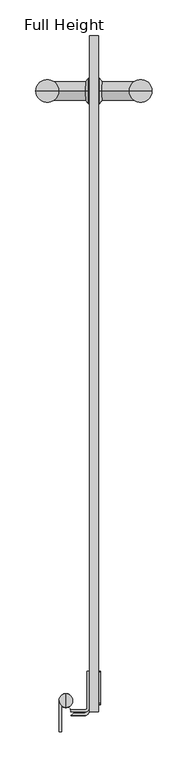
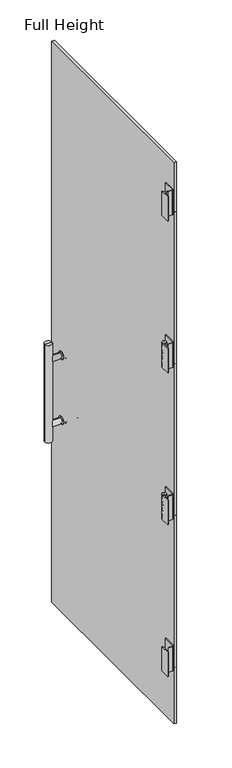
"""IFC4 building model written with IfcOpenShell, lengths in millimetres: plate geometry, Full Height."""

from ifc_helpers import new_model, si_unit, point, frame, frame_2d, origin, place, context, project, spatial, polyline, circle_curve, ellipse_curve, trimmed, segment, composite_curve, outline, extrude, source, transform, mapped, element, save
from ifc_brep_helpers import plane_surface, cylinder_surface, revolved_surface, advanced_brep


def full_height_a34dd733(model_context):
    return source(origin(), model_context, "Body", "SolidModel", [
        advanced_brep(
        [(-420.2684, 888.2634, 901.7), (-432.9684, 888.2634, 901.7), (-432.9684, 888.2634, 927.1), (-420.2684, 888.2634, 927.1), (-420.2684, 888.2634, 896.9), (-420.2684, 888.2634, 931.9), (-418.9984, 888.2634, 896.9), (-418.9984, 888.2634, 931.9), (-415.1884, 888.2634, 901.7), (-415.1884, 888.2634, 927.1), (-361.5309, 888.2634, 901.7), (-361.5309, 888.2634, 927.1), (-361.5309, 888.2634, 914.4), (-491.7059, 888.2634, 901.7), (-491.7059, 888.2634, 914.4), (-491.7059, 888.2634, 927.1), (-438.0484, 888.2634, 901.7), (-438.0484, 888.2634, 927.1), (-434.2384, 888.2634, 896.9), (-434.2384, 888.2634, 931.9), (-432.9684, 888.2634, 896.9), (-432.9684, 888.2634, 931.9)],
        [
            (0, 1),
            (1, 2, circle_curve(frame((-432.9684, 888.2634, 914.4), z_axis=(1.0, 0.0, 0.0), x_axis=(0.0, 0.0, 1.0)), 12.7)),
            (2, 3),
            (3, 0, circle_curve(frame((-420.2684, 888.2634, 914.4), z_axis=(-1.0, 0.0, 0.0), x_axis=(0.0, 0.0, 1.0)), 12.7)),
            (4, 0),
            (3, 5),
            (5, 4, circle_curve(frame((-420.2684, 888.2634, 914.4), z_axis=(-1.0, 0.0, 0.0), x_axis=(0.0, 0.0, 1.0)), 17.5)),
            (6, 4),
            (5, 7),
            (7, 6, circle_curve(frame((-418.9984, 888.2634, 914.4), z_axis=(-1.0, 0.0, 0.0), x_axis=(0.0, 0.0, 1.0)), 17.5)),
            (5, 4, circle_curve(frame((-420.2684, 888.2634, 914.4), z_axis=(1.0, 0.0, 0.0), x_axis=(0.0, 0.0, 1.0)), 17.5)),
            (6, 7, circle_curve(frame((-418.9984, 888.2634, 914.4), z_axis=(-1.0, 0.0, 0.0), x_axis=(0.0, 0.0, 1.0)), 17.5)),
            (8, 6),
            (7, 9),
            (9, 8, circle_curve(frame((-415.1884, 888.2634, 914.4), z_axis=(-1.0, 0.0, 0.0), x_axis=(0.0, 0.0, 1.0)), 12.7)),
            (8, 9, circle_curve(frame((-415.1884, 888.2634, 914.4), z_axis=(-1.0, 0.0, 0.0), x_axis=(0.0, 0.0, 1.0)), 12.7)),
            (10, 8),
            (9, 11),
            (11, 10, circle_curve(frame((-361.5309, 888.2634, 914.4), z_axis=(-1.0, 0.0, 0.0), x_axis=(0.0, 0.0, 1.0)), 12.7)),
            (10, 11, circle_curve(frame((-361.5309, 888.2634, 914.4), z_axis=(-1.0, 0.0, 0.0), x_axis=(0.0, 0.0, 1.0)), 12.7)),
            (12, 11),
            (10, 12),
            (13, 14),
            (14, 15),
            (15, 13, circle_curve(frame((-491.7059, 888.2634, 914.4), z_axis=(-1.0, 0.0, 0.0), x_axis=(0.0, 0.0, 1.0)), 12.7)),
            (13, 15, circle_curve(frame((-491.7059, 888.2634, 914.4), z_axis=(-1.0, 0.0, 0.0), x_axis=(0.0, 0.0, 1.0)), 12.7)),
            (16, 13),
            (15, 17),
            (17, 16, circle_curve(frame((-438.0484, 888.2634, 914.4), z_axis=(-1.0, 0.0, 0.0), x_axis=(0.0, 0.0, 1.0)), 12.7)),
            (16, 17, circle_curve(frame((-438.0484, 888.2634, 914.4), z_axis=(-1.0, 0.0, 0.0), x_axis=(0.0, 0.0, 1.0)), 12.7)),
            (18, 16),
            (17, 19),
            (19, 18, circle_curve(frame((-434.2384, 888.2634, 914.4), z_axis=(-1.0, 0.0, 0.0), x_axis=(0.0, 0.0, 1.0)), 17.5)),
            (18, 19, circle_curve(frame((-434.2384, 888.2634, 914.4), z_axis=(-1.0, 0.0, 0.0), x_axis=(0.0, 0.0, 1.0)), 17.5)),
            (20, 18),
            (19, 21),
            (21, 20, circle_curve(frame((-432.9684, 888.2634, 914.4), z_axis=(-1.0, 0.0, 0.0), x_axis=(0.0, 0.0, 1.0)), 17.5)),
            (20, 21, circle_curve(frame((-432.9684, 888.2634, 914.4), z_axis=(-1.0, 0.0, 0.0), x_axis=(0.0, 0.0, 1.0)), 17.5)),
            (1, 20),
            (21, 2),
            (1, 2, circle_curve(frame((-432.9684, 888.2634, 914.4), z_axis=(-1.0, 0.0, 0.0), x_axis=(0.0, 0.0, 1.0)), 12.7)),
            (0, 3, circle_curve(frame((-420.2684, 888.2634, 914.4), z_axis=(-1.0, 0.0, 0.0), x_axis=(0.0, 0.0, 1.0)), 12.7)),
        ],
        [
            cylinder_surface(frame((-361.5309, 888.2634, 914.4), z_axis=(1.0, 0.0, 0.0), x_axis=(0.0, 0.0, 1.0)), 12.7),
            plane_surface(frame((-420.2684, 888.2634, 914.4), z_axis=(-1.0, 0.0, 0.0), x_axis=(0.0, 0.0, 1.0))),
            cylinder_surface(frame((-361.5309, 888.2634, 914.4), z_axis=(1.0, 0.0, 0.0), x_axis=(0.0, 0.0, 1.0)), 17.5),
            revolved_surface(polyline([(-418.9984, 888.2634, 931.9), (-415.1884, 888.2634, 927.1)]), (-361.5309, 888.2634, 914.4), (1.0, 0.0, 0.0)),
            plane_surface(frame((-361.5309, 888.2634, 914.4), z_axis=(1.0, 0.0, 0.0), x_axis=(0.0, 0.0, 1.0))),
            plane_surface(frame((-491.7059, 888.2634, 914.4), z_axis=(-1.0, 0.0, 0.0), x_axis=(0.0, 0.0, 1.0))),
            revolved_surface(polyline([(-438.0484, 888.2634, 927.1), (-434.2384, 888.2634, 931.9)]), (-361.5309, 888.2634, 914.4), (1.0, 0.0, 0.0)),
            plane_surface(frame((-432.9684, 888.2634, 914.4), z_axis=(1.0, 0.0, 0.0), x_axis=(0.0, 0.0, 1.0))),
        ],
        [
            (0, [[1, 2, 3, 4]]),
            (1, [[5, -4, 6, 7]]),
            (2, [[8, -7, 9, 10]]),
            (2, [[-9, 11, -8, 12]]),
            (3, [[13, -10, 14, 15]]),
            (3, [[-14, -12, -13, 16]]),
            (0, [[17, -15, 18, 19]]),
            (0, [[-18, -16, -17, 20]]),
            (4, [[21, -20, 22]]),
            (5, [[23, 24, 25]]),
            (5, [[-24, -23, 26]]),
            (0, [[27, -25, 28, 29]]),
            (0, [[-28, -26, -27, 30]]),
            (6, [[31, -29, 32, 33]]),
            (6, [[-32, -30, -31, 34]]),
            (2, [[35, -33, 36, 37]]),
            (2, [[-36, -34, -35, 38]]),
            (7, [[39, -37, 40, -2]]),
            (7, [[-40, -38, -39, 41]]),
            (0, [[-3, -41, -1, 42]]),
            (1, [[-6, -42, -5, -11]]),
            (4, [[-22, -19, -21]]),
        ],
    ),
        advanced_brep(
        [(-361.5309, 888.2634, 1206.5), (-361.5309, 888.2634, 1219.2), (-361.5309, 888.2634, 1231.9), (-420.2684, 888.2634, 1231.9), (-420.2684, 888.2634, 1236.7), (-420.2684, 888.2634, 1201.7), (-420.2684, 888.2634, 1206.5), (-432.9684, 888.2634, 1201.7), (-432.9684, 888.2634, 1206.5), (-432.9684, 888.2634, 1231.9), (-432.9684, 888.2634, 1236.7), (-415.1884, 888.2634, 1231.9), (-415.1884, 888.2634, 1206.5), (-418.9984, 888.2634, 1236.7), (-418.9984, 888.2634, 1201.7), (-434.2384, 888.2634, 1236.7), (-434.2384, 888.2634, 1201.7), (-438.0484, 888.2634, 1231.9), (-438.0484, 888.2634, 1206.5), (-491.7059, 888.2634, 1231.9), (-491.7059, 888.2634, 1206.5), (-491.7059, 888.2634, 1219.2)],
        [
            (0, 1),
            (1, 2),
            (2, 0, circle_curve(frame((-361.5309, 888.2634, 1219.2), z_axis=(1.0, 0.0, 0.0), x_axis=(0.0, 0.0, -1.0)), 12.7)),
            (3, 4),
            (4, 5, circle_curve(frame((-420.2684, 888.2634, 1219.2), z_axis=(-1.0, 0.0, 0.0), x_axis=(0.0, 0.0, -1.0)), 17.5)),
            (5, 6),
            (6, 3, circle_curve(frame((-420.2684, 888.2634, 1219.2), z_axis=(1.0, 0.0, 0.0), x_axis=(0.0, 0.0, -1.0)), 12.7)),
            (7, 8),
            (8, 9, circle_curve(frame((-432.9684, 888.2634, 1219.2), z_axis=(-1.0, 0.0, 0.0), x_axis=(0.0, 0.0, -1.0)), 12.7)),
            (9, 10),
            (10, 7, circle_curve(frame((-432.9684, 888.2634, 1219.2), z_axis=(1.0, 0.0, 0.0), x_axis=(0.0, 0.0, -1.0)), 17.5)),
            (0, 2, circle_curve(frame((-361.5309, 888.2634, 1219.2), z_axis=(1.0, 0.0, 0.0), x_axis=(0.0, 0.0, -1.0)), 12.7)),
            (11, 2),
            (0, 12),
            (12, 11, circle_curve(frame((-415.1884, 888.2634, 1219.2), z_axis=(1.0, 0.0, 0.0), x_axis=(0.0, 0.0, -1.0)), 12.7)),
            (11, 12, circle_curve(frame((-415.1884, 888.2634, 1219.2), z_axis=(1.0, 0.0, 0.0), x_axis=(0.0, 0.0, -1.0)), 12.7)),
            (13, 11),
            (12, 14),
            (14, 13, circle_curve(frame((-418.9984, 888.2634, 1219.2), z_axis=(1.0, 0.0, 0.0), x_axis=(0.0, 0.0, -1.0)), 17.5)),
            (13, 14, circle_curve(frame((-418.9984, 888.2634, 1219.2), z_axis=(1.0, 0.0, 0.0), x_axis=(0.0, 0.0, -1.0)), 17.5)),
            (4, 13),
            (14, 5),
            (4, 5, circle_curve(frame((-420.2684, 888.2634, 1219.2), z_axis=(1.0, 0.0, 0.0), x_axis=(0.0, 0.0, -1.0)), 17.5)),
            (3, 6, circle_curve(frame((-420.2684, 888.2634, 1219.2), z_axis=(1.0, 0.0, 0.0), x_axis=(0.0, 0.0, -1.0)), 12.7)),
            (9, 3),
            (6, 8),
            (8, 9, circle_curve(frame((-432.9684, 888.2634, 1219.2), z_axis=(1.0, 0.0, 0.0), x_axis=(0.0, 0.0, -1.0)), 12.7)),
            (7, 10, circle_curve(frame((-432.9684, 888.2634, 1219.2), z_axis=(1.0, 0.0, 0.0), x_axis=(0.0, 0.0, -1.0)), 17.5)),
            (15, 10),
            (7, 16),
            (16, 15, circle_curve(frame((-434.2384, 888.2634, 1219.2), z_axis=(1.0, 0.0, 0.0), x_axis=(0.0, 0.0, -1.0)), 17.5)),
            (15, 16, circle_curve(frame((-434.2384, 888.2634, 1219.2), z_axis=(1.0, 0.0, 0.0), x_axis=(0.0, 0.0, -1.0)), 17.5)),
            (17, 15),
            (16, 18),
            (18, 17, circle_curve(frame((-438.0484, 888.2634, 1219.2), z_axis=(1.0, 0.0, 0.0), x_axis=(0.0, 0.0, -1.0)), 12.7)),
            (17, 18, circle_curve(frame((-438.0484, 888.2634, 1219.2), z_axis=(1.0, 0.0, 0.0), x_axis=(0.0, 0.0, -1.0)), 12.7)),
            (19, 17),
            (18, 20),
            (20, 19, circle_curve(frame((-491.7059, 888.2634, 1219.2), z_axis=(1.0, 0.0, 0.0), x_axis=(0.0, 0.0, -1.0)), 12.7)),
            (19, 20, circle_curve(frame((-491.7059, 888.2634, 1219.2), z_axis=(1.0, 0.0, 0.0), x_axis=(0.0, 0.0, -1.0)), 12.7)),
            (21, 19),
            (20, 21),
        ],
        [
            plane_surface(frame((-361.5309, 888.2634, 1219.2), z_axis=(1.0, 0.0, 0.0), x_axis=(0.0, 0.0, -1.0))),
            plane_surface(frame((-420.2684, 888.2634, 1219.2), z_axis=(-1.0, 0.0, 0.0), x_axis=(0.0, 0.0, -1.0))),
            plane_surface(frame((-432.9684, 888.2634, 1219.2), z_axis=(1.0, 0.0, 0.0), x_axis=(0.0, 0.0, -1.0))),
            cylinder_surface(frame((-361.5309, 888.2634, 1219.2), z_axis=(-1.0, 0.0, 0.0), x_axis=(0.0, 0.0, -1.0)), 12.7),
            revolved_surface(polyline([(-415.1884, 888.2634, 1206.5), (-418.9984, 888.2634, 1201.7)]), (-361.5309, 888.2634, 1219.2), (-1.0, 0.0, 0.0)),
            cylinder_surface(frame((-361.5309, 888.2634, 1219.2), z_axis=(-1.0, 0.0, 0.0), x_axis=(0.0, 0.0, -1.0)), 17.5),
            revolved_surface(polyline([(-434.2384, 888.2634, 1201.7), (-438.0484, 888.2634, 1206.5)]), (-361.5309, 888.2634, 1219.2), (-1.0, 0.0, 0.0)),
            plane_surface(frame((-491.7059, 888.2634, 1219.2), z_axis=(-1.0, 0.0, 0.0), x_axis=(0.0, 0.0, -1.0))),
        ],
        [
            (0, [[1, 2, 3]]),
            (1, [[4, 5, 6, 7]]),
            (2, [[8, 9, 10, 11]]),
            (0, [[-2, -1, 12]]),
            (3, [[13, -12, 14, 15]]),
            (3, [[-14, -3, -13, 16]]),
            (4, [[17, -15, 18, 19]]),
            (4, [[-18, -16, -17, 20]]),
            (5, [[21, -19, 22, -5]]),
            (5, [[-22, -20, -21, 23]]),
            (1, [[-6, -23, -4, 24]]),
            (3, [[25, -7, 26, 27]]),
            (3, [[-26, -24, -25, -9]]),
            (2, [[-10, -27, -8, 28]]),
            (5, [[29, -28, 30, 31]]),
            (5, [[-30, -11, -29, 32]]),
            (6, [[33, -31, 34, 35]]),
            (6, [[-34, -32, -33, 36]]),
            (3, [[37, -35, 38, 39]]),
            (3, [[-38, -36, -37, 40]]),
            (7, [[41, -39, 42]]),
            (7, [[-42, -40, -41]]),
        ],
    ),
        advanced_brep(
        [(-507.5809, 888.2634, 1295.4), (-491.7059, 888.2634, 1295.4), (-475.8309, 888.2634, 1295.4), (-491.7059, 888.2634, 838.2), (-507.5809, 888.2634, 838.2), (-475.8309, 888.2634, 838.2)],
        [
            (0, 1),
            (1, 2),
            (2, 0, circle_curve(frame((-491.7059, 888.2634, 1295.4), z_axis=(0.0, 0.0, 1.0), x_axis=(1.0, 0.0, 0.0)), 15.875)),
            (3, 4),
            (4, 5, circle_curve(frame((-491.7059, 888.2634, 838.2), z_axis=(0.0, 0.0, -1.0), x_axis=(1.0, 0.0, 0.0)), 15.875)),
            (5, 3),
            (0, 2, circle_curve(frame((-491.7059, 888.2634, 1295.4), z_axis=(0.0, 0.0, 1.0), x_axis=(1.0, 0.0, 0.0)), 15.875)),
            (4, 0),
            (2, 5),
            (4, 5, circle_curve(frame((-491.7059, 888.2634, 838.2), z_axis=(0.0, 0.0, 1.0), x_axis=(1.0, 0.0, 0.0)), 15.875)),
        ],
        [
            plane_surface(frame((-491.7059, 888.2634, 1295.4), z_axis=(0.0, 0.0, 1.0), x_axis=(1.0, 0.0, 0.0))),
            plane_surface(frame((-491.7059, 888.2634, 838.2), z_axis=(0.0, 0.0, -1.0), x_axis=(1.0, 0.0, 0.0))),
            cylinder_surface(frame((-491.7059, 888.2634, 838.2), z_axis=(0.0, 0.0, -1.0), x_axis=(1.0, 0.0, 0.0)), 15.875),
        ],
        [
            (0, [[1, 2, 3]]),
            (1, [[4, 5, 6]]),
            (0, [[-2, -1, 7]]),
            (2, [[8, -3, 9, -5]]),
            (2, [[-9, -7, -8, 10]]),
            (1, [[-6, -10, -4]]),
        ],
    ),
        advanced_brep(
        [(-377.4059, 888.2634, 838.2), (-377.4059, 888.2634, 1295.4), (-345.6559, 888.2634, 1295.4), (-345.6559, 888.2634, 838.2), (-361.5309, 888.2634, 1295.4), (-361.5309, 888.2634, 838.2)],
        [
            (0, 1),
            (1, 2, circle_curve(frame((-361.5309, 888.2634, 1295.4), z_axis=(0.0, 0.0, -1.0), x_axis=(1.0, 0.0, 0.0)), 15.875)),
            (2, 3),
            (3, 0, circle_curve(frame((-361.5309, 888.2634, 838.2), z_axis=(0.0, 0.0, 1.0), x_axis=(1.0, 0.0, 0.0)), 15.875)),
            (1, 4),
            (4, 2),
            (1, 2, circle_curve(frame((-361.5309, 888.2634, 1295.4), z_axis=(0.0, 0.0, 1.0), x_axis=(1.0, 0.0, 0.0)), 15.875)),
            (0, 3, circle_curve(frame((-361.5309, 888.2634, 838.2), z_axis=(0.0, 0.0, 1.0), x_axis=(1.0, 0.0, 0.0)), 15.875)),
            (5, 0),
            (3, 5),
        ],
        [
            cylinder_surface(frame((-361.5309, 888.2634, 838.2), z_axis=(0.0, 0.0, -1.0), x_axis=(1.0, 0.0, 0.0)), 15.875),
            plane_surface(frame((-361.5309, 888.2634, 1295.4), z_axis=(0.0, 0.0, 1.0), x_axis=(1.0, 0.0, 0.0))),
            plane_surface(frame((-361.5309, 888.2634, 838.2), z_axis=(0.0, 0.0, -1.0), x_axis=(1.0, 0.0, 0.0))),
        ],
        [
            (0, [[1, 2, 3, 4]]),
            (1, [[5, 6, -2]]),
            (1, [[-6, -5, 7]]),
            (0, [[-3, -7, -1, 8]]),
            (2, [[9, -4, 10]]),
            (2, [[-10, -8, -9]]),
        ],
    ),
        extrude(outline(composite_curve([segment(polyline([(81.3054, 1803.8233333), (81.3054, 1692.0633333)]), True, "CONTINUOUS"), segment(trimmed(circle_curve(frame_2d((80.0354, 1692.0633333)), 1.27), [point((81.3054, 1692.0633333))], [point((80.0354, 1690.7933333))], False, "CARTESIAN"), True, "CONTINUOUS"), segment(polyline([(80.0354, 1690.7933333), (36.576, 1690.7933333)]), True, "CONTINUOUS"), segment(trimmed(circle_curve(frame_2d((36.576, 1692.0633333)), 1.27), [point((36.576, 1690.7933333))], [point((35.306, 1692.0633333))], False, "CARTESIAN"), True, "CONTINUOUS"), segment(polyline([(35.306, 1692.0633333), (35.306, 1803.8233333)]), True, "CONTINUOUS"), segment(trimmed(circle_curve(frame_2d((36.576, 1803.8233333)), 1.27), [point((35.306, 1803.8233333))], [point((36.576, 1805.0933333))], False, "CARTESIAN"), True, "CONTINUOUS"), segment(polyline([(36.576, 1805.0933333), (80.0354, 1805.0933333)]), True, "CONTINUOUS"), segment(trimmed(circle_curve(frame_2d((80.0354, 1803.8233333)), 1.27), [point((80.0354, 1805.0933333))], [point((81.3054, 1803.8233333))], False, "CARTESIAN"), True, "CONTINUOUS")], self_intersect=False)), frame((-420.2684, 0.0, 0.0), z_axis=(1.0, 0.0, 0.0), x_axis=(0.0, 1.0, 0.0)), (0.0, 0.0, 1.0), 3.048),
        extrude(outline(composite_curve([segment(trimmed(circle_curve(frame_2d((80.0354, 980.0166667)), 1.27), [point((81.3054, 980.0166667))], [point((80.0354, 978.7466667))], False, "CARTESIAN"), True, "CONTINUOUS"), segment(polyline([(80.0354, 978.7466667), (36.576, 978.7466667)]), True, "CONTINUOUS"), segment(trimmed(circle_curve(frame_2d((36.576, 980.0166667)), 1.27), [point((36.576, 978.7466667))], [point((35.306, 980.0166667))], False, "CARTESIAN"), True, "CONTINUOUS"), segment(polyline([(35.306, 980.0166667), (35.306, 1091.7766667)]), True, "CONTINUOUS"), segment(trimmed(circle_curve(frame_2d((36.576, 1091.7766667)), 1.27), [point((35.306, 1091.7766667))], [point((36.576, 1093.0466667))], False, "CARTESIAN"), True, "CONTINUOUS"), segment(polyline([(36.576, 1093.0466667), (80.0354, 1093.0466667)]), True, "CONTINUOUS"), segment(trimmed(circle_curve(frame_2d((80.0354, 1091.7766667)), 1.27), [point((80.0354, 1093.0466667))], [point((81.3054, 1091.7766667))], False, "CARTESIAN"), True, "CONTINUOUS"), segment(polyline([(81.3054, 1091.7766667), (81.3054, 980.0166667)]), True, "CONTINUOUS")], self_intersect=False)), frame((-420.2684, 0.0, 0.0), z_axis=(1.0, 0.0, 0.0), x_axis=(0.0, 1.0, 0.0)), (0.0, 0.0, 1.0), 3.048),
        extrude(outline(composite_curve([segment(polyline([(-455.18017, 23.2918), (-439.801, 23.2918)]), True, "CONTINUOUS"), segment(trimmed(circle_curve(frame_2d((-439.801, 26.7208)), 3.429), [point((-439.801, 23.2918))], [point((-436.372, 26.7208))], True, "CARTESIAN"), True, "CONTINUOUS"), segment(polyline([(-436.372, 26.7208), (-436.372, 81.3054), (-432.9684, 81.3054), (-432.9684, 26.7208)]), True, "CONTINUOUS"), segment(trimmed(circle_curve(frame_2d((-439.801, 26.7208)), 6.8326), [point((-432.9684, 26.7208))], [point((-439.801, 19.8882))], False, "CARTESIAN"), True, "CONTINUOUS"), segment(polyline([(-439.801, 19.8882), (-458.3040544, 19.8882)]), True, "CONTINUOUS"), segment(trimmed(circle_curve(frame_2d((-463.55, 27.8384)), 9.525), [point((-458.3040544, 19.8882))], [point((-455.18017, 23.2918))], True, "CARTESIAN"), True, "CONTINUOUS")], self_intersect=False)), frame((0.0, 0.0, 978.7466667), z_axis=(0.0, 0.0, 1.0), x_axis=(1.0, 0.0, 0.0)), (0.0, 0.0, 1.0), 114.3),
        extrude(outline(composite_curve([segment(polyline([(-436.372, 81.3054), (-432.9684, 81.3054), (-432.9684, 26.7208)]), True, "CONTINUOUS"), segment(trimmed(circle_curve(frame_2d((-439.801, 26.7208)), 6.8326), [point((-432.9684, 26.7208))], [point((-439.801, 19.8882))], False, "CARTESIAN"), True, "CONTINUOUS"), segment(polyline([(-439.801, 19.8882), (-458.3040544, 19.8882)]), True, "CONTINUOUS"), segment(trimmed(circle_curve(frame_2d((-463.55, 27.8384)), 9.525), [point((-458.3040544, 19.8882))], [point((-455.18017, 23.2918))], True, "CARTESIAN"), True, "CONTINUOUS"), segment(polyline([(-455.18017, 23.2918), (-439.801, 23.2918)]), True, "CONTINUOUS"), segment(trimmed(circle_curve(frame_2d((-439.801, 26.7208)), 3.429), [point((-439.801, 23.2918))], [point((-436.372, 26.7208))], True, "CARTESIAN"), True, "CONTINUOUS"), segment(polyline([(-436.372, 26.7208), (-436.372, 81.3054)]), True, "CONTINUOUS")], self_intersect=False)), frame((0.0, 0.0, 1690.7933333), z_axis=(0.0, 0.0, 1.0), x_axis=(1.0, 0.0, 0.0)), (0.0, 0.0, 1.0), 114.3),
        extrude(outline(composite_curve([segment(trimmed(circle_curve(frame_2d((-465.963, 25.4254)), 7.112), [point((-458.8919393, 24.6634))], [point((-460.0618386, 29.3948884))], True, "CARTESIAN"), True, "CONTINUOUS"), segment(trimmed(circle_curve(frame_2d((-456.9005021, 31.5214)), 3.81), [point((-460.0618386, 29.3948884))], [point((-456.9005021, 27.7114))], True, "CARTESIAN"), True, "CONTINUOUS"), segment(polyline([(-456.9005021, 27.7114), (-439.0644, 27.7114)]), True, "CONTINUOUS"), segment(trimmed(circle_curve(frame_2d((-439.0644, 30.7594)), 3.048), [point((-439.0644, 27.7114))], [point((-436.0164, 30.7594))], True, "CARTESIAN"), True, "CONTINUOUS"), segment(polyline([(-436.0164, 30.7594), (-436.0164, 81.3054), (-432.9684, 81.3054), (-432.9684, 30.7594)]), True, "CONTINUOUS"), segment(trimmed(circle_curve(frame_2d((-439.0644, 30.7594)), 6.096), [point((-432.9684, 30.7594))], [point((-439.0644, 24.6634))], False, "CARTESIAN"), True, "CONTINUOUS"), segment(polyline([(-439.0644, 24.6634), (-458.8919393, 24.6634)]), True, "CONTINUOUS")], self_intersect=False)), frame((0.0, 0.0, 2402.84), z_axis=(0.0, 0.0, 1.0), x_axis=(1.0, 0.0, 0.0)), (0.0, 0.0, 1.0), 114.3),
        extrude(outline(composite_curve([segment(polyline([(36.576, 381.0), (80.0354, 381.0)]), True, "CONTINUOUS"), segment(trimmed(circle_curve(frame_2d((80.0354, 379.73)), 1.27), [point((80.0354, 381.0))], [point((81.3054, 379.73))], False, "CARTESIAN"), True, "CONTINUOUS"), segment(polyline([(81.3054, 379.73), (81.3054, 267.97)]), True, "CONTINUOUS"), segment(trimmed(circle_curve(frame_2d((80.0354, 267.97)), 1.27), [point((81.3054, 267.97))], [point((80.0354, 266.7))], False, "CARTESIAN"), True, "CONTINUOUS"), segment(polyline([(80.0354, 266.7), (36.576, 266.7)]), True, "CONTINUOUS"), segment(trimmed(circle_curve(frame_2d((36.576, 267.97)), 1.27), [point((36.576, 266.7))], [point((35.306, 267.97))], False, "CARTESIAN"), True, "CONTINUOUS"), segment(polyline([(35.306, 267.97), (35.306, 379.73)]), True, "CONTINUOUS"), segment(trimmed(circle_curve(frame_2d((36.576, 379.73)), 1.27), [point((35.306, 379.73))], [point((36.576, 381.0))], False, "CARTESIAN"), True, "CONTINUOUS")], self_intersect=False)), frame((-420.2684, 0.0, 0.0), z_axis=(1.0, 0.0, 0.0), x_axis=(0.0, 1.0, 0.0)), (0.0, 0.0, 1.0), 3.048),
        extrude(outline(composite_curve([segment(polyline([(36.576, 2517.14), (80.0354, 2517.14)]), True, "CONTINUOUS"), segment(trimmed(circle_curve(frame_2d((80.0354, 2515.87)), 1.27), [point((80.0354, 2517.14))], [point((81.3054, 2515.87))], False, "CARTESIAN"), True, "CONTINUOUS"), segment(polyline([(81.3054, 2515.87), (81.3054, 2404.11)]), True, "CONTINUOUS"), segment(trimmed(circle_curve(frame_2d((80.0354, 2404.11)), 1.27), [point((81.3054, 2404.11))], [point((80.0354, 2402.84))], False, "CARTESIAN"), True, "CONTINUOUS"), segment(polyline([(80.0354, 2402.84), (36.576, 2402.84)]), True, "CONTINUOUS"), segment(trimmed(circle_curve(frame_2d((36.576, 2404.11)), 1.27), [point((36.576, 2402.84))], [point((35.306, 2404.11))], False, "CARTESIAN"), True, "CONTINUOUS"), segment(polyline([(35.306, 2404.11), (35.306, 2515.87)]), True, "CONTINUOUS"), segment(trimmed(circle_curve(frame_2d((36.576, 2515.87)), 1.27), [point((35.306, 2515.87))], [point((36.576, 2517.14))], False, "CARTESIAN"), True, "CONTINUOUS")], self_intersect=False)), frame((-420.2684, 0.0, 0.0), z_axis=(1.0, 0.0, 0.0), x_axis=(0.0, 1.0, 0.0)), (0.0, 0.0, 1.0), 3.048),
        extrude(outline(composite_curve([segment(polyline([(-439.801, 19.8882), (-458.3040544, 19.8882)]), True, "CONTINUOUS"), segment(trimmed(circle_curve(frame_2d((-463.55, 27.8384)), 9.525), [point((-458.3040544, 19.8882))], [point((-455.18017, 23.2918))], True, "CARTESIAN"), True, "CONTINUOUS"), segment(polyline([(-455.18017, 23.2918), (-439.801, 23.2918)]), True, "CONTINUOUS"), segment(trimmed(circle_curve(frame_2d((-439.801, 26.7208)), 3.429), [point((-439.801, 23.2918))], [point((-436.372, 26.7208))], True, "CARTESIAN"), True, "CONTINUOUS"), segment(polyline([(-436.372, 26.7208), (-436.372, 81.3054), (-432.9684, 81.3054), (-432.9684, 26.7208)]), True, "CONTINUOUS"), segment(trimmed(circle_curve(frame_2d((-439.801, 26.7208)), 6.8326), [point((-432.9684, 26.7208))], [point((-439.801, 19.8882))], False, "CARTESIAN"), True, "CONTINUOUS")], self_intersect=False)), frame((0.0, 0.0, 266.7), z_axis=(0.0, 0.0, 1.0), x_axis=(1.0, 0.0, 0.0)), (0.0, 0.0, 1.0), 114.3),
        extrude(outline(polyline([(-432.9684, 964.4634), (-420.2684, 964.4634), (-420.2684, 24.6634), (-432.9684, 24.6634), (-432.9684, 964.4634)])), frame((0.0, 0.0, 12.7), z_axis=(0.0, 0.0, 1.0), x_axis=(1.0, 0.0, 0.0)), (0.0, 0.0, 1.0), 2631.44),
        extrude(outline(composite_curve([segment(trimmed(circle_curve(frame_2d((-465.836, 40.4876)), 9.525), [point((-475.361, 40.4876))], [point((-471.9574, 33.1900602))], True, "CARTESIAN"), True, "CONTINUOUS"), segment(polyline([(-471.9574, 33.1900602), (-471.9574, -2.794), (-475.361, -2.794), (-475.361, 40.4876)]), True, "CONTINUOUS")], self_intersect=False)), frame((0.0, 0.0, 1690.7933333), z_axis=(0.0, 0.0, 1.0), x_axis=(1.0, 0.0, 0.0)), (0.0, 0.0, 1.0), 114.3),
        extrude(outline(composite_curve([segment(trimmed(circle_curve(frame_2d((-465.836, 40.4876)), 9.525), [point((-475.361, 40.4876))], [point((-471.9574, 33.1900602))], True, "CARTESIAN"), True, "CONTINUOUS"), segment(polyline([(-471.9574, 33.1900602), (-471.9574, -2.794), (-475.361, -2.794), (-475.361, 40.4876)]), True, "CONTINUOUS")], self_intersect=False)), frame((0.0, 0.0, 978.7466667), z_axis=(0.0, 0.0, 1.0), x_axis=(1.0, 0.0, 0.0)), (0.0, 0.0, 1.0), 114.3),
        advanced_brep(
        [(-475.361, -2.794, 2517.14), (-471.9574, -2.794, 2517.14), (-471.9574, 33.1900602, 2517.14), (-475.361, 40.4876, 2517.14), (-475.361, -2.794, 2402.84), (-475.361, 40.4876, 2402.84), (-471.9574, 33.1900602, 2402.84), (-471.9574, -2.794, 2402.84)],
        [
            (0, 1),
            (1, 2),
            (2, 3, circle_curve(frame((-465.836, 40.4876, 2517.14), z_axis=(0.0, 0.0, -1.0), x_axis=(-1.0, 0.0, 0.0)), 9.525)),
            (3, 0),
            (4, 5),
            (5, 6, circle_curve(frame((-465.836, 40.4876, 2402.84), z_axis=(0.0, 0.0, 1.0), x_axis=(-1.0, 0.0, 0.0)), 9.525)),
            (6, 7),
            (7, 4),
            (3, 5),
            (4, 0),
            (2, 6),
            (1, 7),
        ],
        [
            plane_surface(frame((-475.361, -2.794, 2517.14), z_axis=(0.0, 0.0, 1.0), x_axis=(0.0, 1.0, 0.0))),
            plane_surface(frame((-475.361, -2.794, 2402.84), z_axis=(0.0, 0.0, -1.0), x_axis=(0.0, -1.0, 0.0))),
            plane_surface(frame((-475.361, -2.794, 2517.14), z_axis=(-1.0, 0.0, 0.0), x_axis=(0.0, 0.0, -1.0))),
            revolved_surface(polyline([(-475.361, 40.4876, 2402.84), (-475.361, 40.4876, 2517.14)]), (-465.836, 40.4876, 2402.84), (0.0, 0.0, -1.0)),
            plane_surface(frame((-471.9574, 33.1900602, 2517.14), z_axis=(1.0, 0.0, 0.0), x_axis=(0.0, 0.0, -1.0))),
            plane_surface(frame((-471.9574, -2.794, 2517.14), z_axis=(0.0, -1.0, 0.0), x_axis=(0.0, 0.0, -1.0))),
        ],
        [
            (0, [[1, 2, 3, 4]]),
            (1, [[5, 6, 7, 8]]),
            (2, [[9, -5, 10, -4]]),
            (3, [[11, -6, -9, -3]]),
            (4, [[12, -7, -11, -2]]),
            (5, [[-10, -8, -12, -1]]),
        ],
    ),
        extrude(outline(composite_curve([segment(trimmed(circle_curve(frame_2d((-465.836, 40.4876)), 9.525), [point((-475.361, 40.4876))], [point((-471.9574, 33.1900602))], True, "CARTESIAN"), True, "CONTINUOUS"), segment(polyline([(-471.9574, 33.1900602), (-471.9574, -2.794), (-475.361, -2.794), (-475.361, 40.4876)]), True, "CONTINUOUS")], self_intersect=False)), frame((0.0, 0.0, 266.7), z_axis=(0.0, 0.0, 1.0), x_axis=(1.0, 0.0, 0.0)), (0.0, 0.0, 1.0), 114.3),
        advanced_brep(
        [(-465.836, 40.4876, 1784.7733333), (-465.836, 30.9626, 1784.7733333), (-465.836, 50.0126, 1784.7733333), (-465.836, 30.9626, 1805.0933333), (-465.836, 40.4876, 1805.0933333), (-465.836, 50.0126, 1805.0933333)],
        [
            (0, 1),
            (1, 2, circle_curve(frame((-465.836, 40.4876, 1784.7733333), z_axis=(0.0, 0.0, -1.0), x_axis=(0.0, 1.0, 0.0)), 9.525)),
            (2, 0),
            (2, 1, circle_curve(frame((-465.836, 40.4876, 1784.7733333), z_axis=(0.0, 0.0, -1.0), x_axis=(0.0, 1.0, 0.0)), 9.525)),
            (3, 4),
            (4, 5),
            (5, 3, circle_curve(frame((-465.836, 40.4876, 1805.0933333), z_axis=(0.0, 0.0, 1.0), x_axis=(0.0, 1.0, 0.0)), 9.525)),
            (3, 5, circle_curve(frame((-465.836, 40.4876, 1805.0933333), z_axis=(0.0, 0.0, 1.0), x_axis=(0.0, 1.0, 0.0)), 9.525)),
            (1, 3),
            (5, 2),
        ],
        [
            plane_surface(frame((-465.836, 40.4876, 1784.7733333), z_axis=(0.0, 0.0, -1.0), x_axis=(0.0, 1.0, 0.0))),
            plane_surface(frame((-465.836, 40.4876, 1805.0933333), z_axis=(0.0, 0.0, 1.0), x_axis=(0.0, 1.0, 0.0))),
            cylinder_surface(frame((-465.836, 40.4876, 1627.2933333), z_axis=(0.0, 0.0, -1.0), x_axis=(0.0, 1.0, 0.0)), 9.525),
        ],
        [
            (0, [[1, 2, 3]]),
            (0, [[-3, 4, -1]]),
            (1, [[5, 6, 7]]),
            (1, [[-6, -5, 8]]),
            (2, [[9, -7, 10, -2]]),
            (2, [[-10, -8, -9, -4]]),
        ],
    ),
        advanced_brep(
        [(-465.836, 30.9626, 1758.6113333), (-465.836, 30.9626, 1763.9453333), (-465.836, 50.0126, 1763.9453333), (-465.836, 50.0126, 1758.6113333), (-465.836, 40.4876, 1758.1033333), (-465.836, 31.4706, 1758.1033333), (-465.836, 49.5046, 1758.1033333), (-465.836, 31.4706, 1764.4533333), (-465.836, 40.4876, 1764.4533333), (-465.836, 49.5046, 1764.4533333)],
        [
            (0, 1),
            (1, 2, circle_curve(frame((-465.836, 40.4876, 1763.9453333), z_axis=(0.0, 0.0, -1.0), x_axis=(0.0, 1.0, 0.0)), 9.525)),
            (2, 3),
            (3, 0, circle_curve(frame((-465.836, 40.4876, 1758.6113333), z_axis=(0.0, 0.0, 1.0), x_axis=(0.0, 1.0, 0.0)), 9.525)),
            (2, 1, circle_curve(frame((-465.836, 40.4876, 1763.9453333), z_axis=(0.0, 0.0, -1.0), x_axis=(0.0, 1.0, 0.0)), 9.525)),
            (0, 3, circle_curve(frame((-465.836, 40.4876, 1758.6113333), z_axis=(0.0, 0.0, 1.0), x_axis=(0.0, 1.0, 0.0)), 9.525)),
            (4, 5),
            (5, 6, circle_curve(frame((-465.836, 40.4876, 1758.1033333), z_axis=(0.0, 0.0, -1.0), x_axis=(0.0, 1.0, 0.0)), 9.017)),
            (6, 4),
            (6, 5, circle_curve(frame((-465.836, 40.4876, 1758.1033333), z_axis=(0.0, 0.0, -1.0), x_axis=(0.0, 1.0, 0.0)), 9.017)),
            (7, 8),
            (8, 9),
            (9, 7, circle_curve(frame((-465.836, 40.4876, 1764.4533333), z_axis=(0.0, 0.0, 1.0), x_axis=(0.0, 1.0, 0.0)), 9.017)),
            (7, 9, circle_curve(frame((-465.836, 40.4876, 1764.4533333), z_axis=(0.0, 0.0, 1.0), x_axis=(0.0, 1.0, 0.0)), 9.017)),
            (1, 7, circle_curve(frame((-465.836, 31.4706, 1763.9453333), z_axis=(-1.0, 0.0, 0.0), x_axis=(0.0, 1.0, 0.0)), 0.508)),
            (9, 2, circle_curve(frame((-465.836, 49.5046, 1763.9453333), z_axis=(-1.0, 0.0, 0.0), x_axis=(0.0, -1.0, 0.0)), 0.508)),
            (5, 0, circle_curve(frame((-465.836, 31.4706, 1758.6113333), z_axis=(-1.0, 0.0, 0.0), x_axis=(0.0, 1.0, 0.0)), 0.508)),
            (3, 6, circle_curve(frame((-465.836, 49.5046, 1758.6113333), z_axis=(-1.0, 0.0, 0.0), x_axis=(0.0, -1.0, 0.0)), 0.508)),
        ],
        [
            cylinder_surface(frame((-465.836, 40.4876, 1627.2933333), z_axis=(0.0, 0.0, -1.0), x_axis=(0.0, 1.0, 0.0)), 9.525),
            plane_surface(frame((-465.836, 40.4876, 1758.1033333), z_axis=(0.0, 0.0, -1.0), x_axis=(0.0, 1.0, 0.0))),
            plane_surface(frame((-465.836, 40.4876, 1764.4533333), z_axis=(0.0, 0.0, 1.0), x_axis=(0.0, 1.0, 0.0))),
            revolved_surface(trimmed(ellipse_curve(frame((-465.836, 49.5046, 1763.9453333), z_axis=(-1.0, 0.0, 0.0), x_axis=(0.0, -1.0, 0.0)), 0.508, 0.508), [point((-465.836, 49.5046, 1764.4533333))], [point((-465.836, 50.0126, 1763.9453333))], True, "CARTESIAN"), (-465.836, 40.4876, 1627.2933333), (0.0, 0.0, -1.0)),
            revolved_surface(trimmed(ellipse_curve(frame((-465.836, 49.5046, 1758.6113333), z_axis=(-1.0, 0.0, 0.0), x_axis=(0.0, -1.0, 0.0)), 0.508, 0.508), [point((-465.836, 50.0126, 1758.6113333))], [point((-465.836, 49.5046, 1758.1033333))], True, "CARTESIAN"), (-465.836, 40.4876, 1627.2933333), (0.0, 0.0, -1.0)),
        ],
        [
            (0, [[1, 2, 3, 4]]),
            (0, [[-3, 5, -1, 6]]),
            (1, [[7, 8, 9]]),
            (1, [[-9, 10, -7]]),
            (2, [[11, 12, 13]]),
            (2, [[-12, -11, 14]]),
            (3, [[15, -13, 16, -2]]),
            (3, [[-16, -14, -15, -5]]),
            (4, [[17, -4, 18, -8]]),
            (4, [[-18, -6, -17, -10]]),
        ],
    ),
        advanced_brep(
        [(-465.836, 30.9626, 1731.9413333), (-465.836, 30.9626, 1737.2753333), (-465.836, 50.0126, 1737.2753333), (-465.836, 50.0126, 1731.9413333), (-465.836, 40.4876, 1731.4333333), (-465.836, 31.4706, 1731.4333333), (-465.836, 49.5046, 1731.4333333), (-465.836, 31.4706, 1737.7833333), (-465.836, 40.4876, 1737.7833333), (-465.836, 49.5046, 1737.7833333)],
        [
            (0, 1),
            (1, 2, circle_curve(frame((-465.836, 40.4876, 1737.2753333), z_axis=(0.0, 0.0, -1.0), x_axis=(0.0, 1.0, 0.0)), 9.525)),
            (2, 3),
            (3, 0, circle_curve(frame((-465.836, 40.4876, 1731.9413333), z_axis=(0.0, 0.0, 1.0), x_axis=(0.0, 1.0, 0.0)), 9.525)),
            (2, 1, circle_curve(frame((-465.836, 40.4876, 1737.2753333), z_axis=(0.0, 0.0, -1.0), x_axis=(0.0, 1.0, 0.0)), 9.525)),
            (0, 3, circle_curve(frame((-465.836, 40.4876, 1731.9413333), z_axis=(0.0, 0.0, 1.0), x_axis=(0.0, 1.0, 0.0)), 9.525)),
            (4, 5),
            (5, 6, circle_curve(frame((-465.836, 40.4876, 1731.4333333), z_axis=(0.0, 0.0, -1.0), x_axis=(0.0, 1.0, 0.0)), 9.017)),
            (6, 4),
            (6, 5, circle_curve(frame((-465.836, 40.4876, 1731.4333333), z_axis=(0.0, 0.0, -1.0), x_axis=(0.0, 1.0, 0.0)), 9.017)),
            (7, 8),
            (8, 9),
            (9, 7, circle_curve(frame((-465.836, 40.4876, 1737.7833333), z_axis=(0.0, 0.0, 1.0), x_axis=(0.0, 1.0, 0.0)), 9.017)),
            (7, 9, circle_curve(frame((-465.836, 40.4876, 1737.7833333), z_axis=(0.0, 0.0, 1.0), x_axis=(0.0, 1.0, 0.0)), 9.017)),
            (1, 7, circle_curve(frame((-465.836, 31.4706, 1737.2753333), z_axis=(-1.0, 0.0, 0.0), x_axis=(0.0, 1.0, 0.0)), 0.508)),
            (9, 2, circle_curve(frame((-465.836, 49.5046, 1737.2753333), z_axis=(-1.0, 0.0, 0.0), x_axis=(0.0, -1.0, 0.0)), 0.508)),
            (5, 0, circle_curve(frame((-465.836, 31.4706, 1731.9413333), z_axis=(-1.0, 0.0, 0.0), x_axis=(0.0, 1.0, 0.0)), 0.508)),
            (3, 6, circle_curve(frame((-465.836, 49.5046, 1731.9413333), z_axis=(-1.0, 0.0, 0.0), x_axis=(0.0, -1.0, 0.0)), 0.508)),
        ],
        [
            cylinder_surface(frame((-465.836, 40.4876, 1627.2933333), z_axis=(0.0, 0.0, -1.0), x_axis=(0.0, 1.0, 0.0)), 9.525),
            plane_surface(frame((-465.836, 40.4876, 1731.4333333), z_axis=(0.0, 0.0, -1.0), x_axis=(0.0, 1.0, 0.0))),
            plane_surface(frame((-465.836, 40.4876, 1737.7833333), z_axis=(0.0, 0.0, 1.0), x_axis=(0.0, 1.0, 0.0))),
            revolved_surface(trimmed(ellipse_curve(frame((-465.836, 49.5046, 1737.2753333), z_axis=(-1.0, 0.0, 0.0), x_axis=(0.0, -1.0, 0.0)), 0.508, 0.508), [point((-465.836, 49.5046, 1737.7833333))], [point((-465.836, 50.0126, 1737.2753333))], True, "CARTESIAN"), (-465.836, 40.4876, 1627.2933333), (0.0, 0.0, -1.0)),
            revolved_surface(trimmed(ellipse_curve(frame((-465.836, 49.5046, 1731.9413333), z_axis=(-1.0, 0.0, 0.0), x_axis=(0.0, -1.0, 0.0)), 0.508, 0.508), [point((-465.836, 50.0126, 1731.9413333))], [point((-465.836, 49.5046, 1731.4333333))], True, "CARTESIAN"), (-465.836, 40.4876, 1627.2933333), (0.0, 0.0, -1.0)),
        ],
        [
            (0, [[1, 2, 3, 4]]),
            (0, [[-3, 5, -1, 6]]),
            (1, [[7, 8, 9]]),
            (1, [[-9, 10, -7]]),
            (2, [[11, 12, 13]]),
            (2, [[-12, -11, 14]]),
            (3, [[15, -13, 16, -2]]),
            (3, [[-16, -14, -15, -5]]),
            (4, [[17, -4, 18, -8]]),
            (4, [[-18, -6, -17, -10]]),
        ],
    ),
        advanced_brep(
        [(-465.836, 30.9626, 1690.7933333), (-465.836, 30.9626, 1711.1133333), (-465.836, 50.0126, 1711.1133333), (-465.836, 50.0126, 1690.7933333), (-465.836, 40.4876, 1690.7933333), (-465.836, 40.4876, 1711.1133333)],
        [
            (0, 1),
            (1, 2, circle_curve(frame((-465.836, 40.4876, 1711.1133333), z_axis=(0.0, 0.0, -1.0), x_axis=(0.0, 1.0, 0.0)), 9.525)),
            (2, 3),
            (3, 0, circle_curve(frame((-465.836, 40.4876, 1690.7933333), z_axis=(0.0, 0.0, 1.0), x_axis=(0.0, 1.0, 0.0)), 9.525)),
            (2, 1, circle_curve(frame((-465.836, 40.4876, 1711.1133333), z_axis=(0.0, 0.0, -1.0), x_axis=(0.0, 1.0, 0.0)), 9.525)),
            (0, 3, circle_curve(frame((-465.836, 40.4876, 1690.7933333), z_axis=(0.0, 0.0, 1.0), x_axis=(0.0, 1.0, 0.0)), 9.525)),
            (4, 0),
            (3, 4),
            (1, 5),
            (5, 2),
        ],
        [
            cylinder_surface(frame((-465.836, 40.4876, 1627.2933333), z_axis=(0.0, 0.0, -1.0), x_axis=(0.0, 1.0, 0.0)), 9.525),
            plane_surface(frame((-465.836, 40.4876, 1690.7933333), z_axis=(0.0, 0.0, -1.0), x_axis=(0.0, 1.0, 0.0))),
            plane_surface(frame((-465.836, 40.4876, 1711.1133333), z_axis=(0.0, 0.0, 1.0), x_axis=(0.0, 1.0, 0.0))),
        ],
        [
            (0, [[1, 2, 3, 4]]),
            (0, [[-3, 5, -1, 6]]),
            (1, [[7, -4, 8]]),
            (1, [[-8, -6, -7]]),
            (2, [[9, 10, -2]]),
            (2, [[-10, -9, -5]]),
        ],
    ),
        advanced_brep(
        [(-465.836, 30.9626, 1072.7266667), (-465.836, 30.9626, 1093.0466667), (-465.836, 50.0126, 1093.0466667), (-465.836, 50.0126, 1072.7266667), (-465.836, 40.4876, 1072.7266667), (-465.836, 40.4876, 1093.0466667)],
        [
            (0, 1),
            (1, 2, circle_curve(frame((-465.836, 40.4876, 1093.0466667), z_axis=(0.0, 0.0, -1.0), x_axis=(0.0, 1.0, 0.0)), 9.525)),
            (2, 3),
            (3, 0, circle_curve(frame((-465.836, 40.4876, 1072.7266667), z_axis=(0.0, 0.0, 1.0), x_axis=(0.0, 1.0, 0.0)), 9.525)),
            (2, 1, circle_curve(frame((-465.836, 40.4876, 1093.0466667), z_axis=(0.0, 0.0, -1.0), x_axis=(0.0, 1.0, 0.0)), 9.525)),
            (0, 3, circle_curve(frame((-465.836, 40.4876, 1072.7266667), z_axis=(0.0, 0.0, 1.0), x_axis=(0.0, 1.0, 0.0)), 9.525)),
            (4, 0),
            (3, 4),
            (1, 5),
            (5, 2),
        ],
        [
            cylinder_surface(frame((-465.836, 40.4876, 1627.2933333), z_axis=(0.0, 0.0, -1.0), x_axis=(0.0, 1.0, 0.0)), 9.525),
            plane_surface(frame((-465.836, 40.4876, 1072.7266667), z_axis=(0.0, 0.0, -1.0), x_axis=(0.0, 1.0, 0.0))),
            plane_surface(frame((-465.836, 40.4876, 1093.0466667), z_axis=(0.0, 0.0, 1.0), x_axis=(0.0, 1.0, 0.0))),
        ],
        [
            (0, [[1, 2, 3, 4]]),
            (0, [[-3, 5, -1, 6]]),
            (1, [[7, -4, 8]]),
            (1, [[-8, -6, -7]]),
            (2, [[9, 10, -2]]),
            (2, [[-10, -9, -5]]),
        ],
    ),
        advanced_brep(
        [(-465.836, 30.9626, 1046.5646667), (-465.836, 30.9626, 1051.8986667), (-465.836, 50.0126, 1051.8986667), (-465.836, 50.0126, 1046.5646667), (-465.836, 40.4876, 1046.0566667), (-465.836, 31.4706, 1046.0566667), (-465.836, 49.5046, 1046.0566667), (-465.836, 31.4706, 1052.4066667), (-465.836, 40.4876, 1052.4066667), (-465.836, 49.5046, 1052.4066667)],
        [
            (0, 1),
            (1, 2, circle_curve(frame((-465.836, 40.4876, 1051.8986667), z_axis=(0.0, 0.0, -1.0), x_axis=(0.0, 1.0, 0.0)), 9.525)),
            (2, 3),
            (3, 0, circle_curve(frame((-465.836, 40.4876, 1046.5646667), z_axis=(0.0, 0.0, 1.0), x_axis=(0.0, 1.0, 0.0)), 9.525)),
            (2, 1, circle_curve(frame((-465.836, 40.4876, 1051.8986667), z_axis=(0.0, 0.0, -1.0), x_axis=(0.0, 1.0, 0.0)), 9.525)),
            (0, 3, circle_curve(frame((-465.836, 40.4876, 1046.5646667), z_axis=(0.0, 0.0, 1.0), x_axis=(0.0, 1.0, 0.0)), 9.525)),
            (4, 5),
            (5, 6, circle_curve(frame((-465.836, 40.4876, 1046.0566667), z_axis=(0.0, 0.0, -1.0), x_axis=(0.0, 1.0, 0.0)), 9.017)),
            (6, 4),
            (6, 5, circle_curve(frame((-465.836, 40.4876, 1046.0566667), z_axis=(0.0, 0.0, -1.0), x_axis=(0.0, 1.0, 0.0)), 9.017)),
            (7, 8),
            (8, 9),
            (9, 7, circle_curve(frame((-465.836, 40.4876, 1052.4066667), z_axis=(0.0, 0.0, 1.0), x_axis=(0.0, 1.0, 0.0)), 9.017)),
            (7, 9, circle_curve(frame((-465.836, 40.4876, 1052.4066667), z_axis=(0.0, 0.0, 1.0), x_axis=(0.0, 1.0, 0.0)), 9.017)),
            (1, 7, circle_curve(frame((-465.836, 31.4706, 1051.8986667), z_axis=(-1.0, 0.0, 0.0), x_axis=(0.0, 1.0, 0.0)), 0.508)),
            (9, 2, circle_curve(frame((-465.836, 49.5046, 1051.8986667), z_axis=(-1.0, 0.0, 0.0), x_axis=(0.0, -1.0, 0.0)), 0.508)),
            (5, 0, circle_curve(frame((-465.836, 31.4706, 1046.5646667), z_axis=(-1.0, 0.0, 0.0), x_axis=(0.0, 1.0, 0.0)), 0.508)),
            (3, 6, circle_curve(frame((-465.836, 49.5046, 1046.5646667), z_axis=(-1.0, 0.0, 0.0), x_axis=(0.0, -1.0, 0.0)), 0.508)),
        ],
        [
            cylinder_surface(frame((-465.836, 40.4876, 1627.2933333), z_axis=(0.0, 0.0, -1.0), x_axis=(0.0, 1.0, 0.0)), 9.525),
            plane_surface(frame((-465.836, 40.4876, 1046.0566667), z_axis=(0.0, 0.0, -1.0), x_axis=(0.0, 1.0, 0.0))),
            plane_surface(frame((-465.836, 40.4876, 1052.4066667), z_axis=(0.0, 0.0, 1.0), x_axis=(0.0, 1.0, 0.0))),
            revolved_surface(trimmed(ellipse_curve(frame((-465.836, 49.5046, 1051.8986667), z_axis=(-1.0, 0.0, 0.0), x_axis=(0.0, -1.0, 0.0)), 0.508, 0.508), [point((-465.836, 49.5046, 1052.4066667))], [point((-465.836, 50.0126, 1051.8986667))], True, "CARTESIAN"), (-465.836, 40.4876, 1627.2933333), (0.0, 0.0, -1.0)),
            revolved_surface(trimmed(ellipse_curve(frame((-465.836, 49.5046, 1046.5646667), z_axis=(-1.0, 0.0, 0.0), x_axis=(0.0, -1.0, 0.0)), 0.508, 0.508), [point((-465.836, 50.0126, 1046.5646667))], [point((-465.836, 49.5046, 1046.0566667))], True, "CARTESIAN"), (-465.836, 40.4876, 1627.2933333), (0.0, 0.0, -1.0)),
        ],
        [
            (0, [[1, 2, 3, 4]]),
            (0, [[-3, 5, -1, 6]]),
            (1, [[7, 8, 9]]),
            (1, [[-9, 10, -7]]),
            (2, [[11, 12, 13]]),
            (2, [[-12, -11, 14]]),
            (3, [[15, -13, 16, -2]]),
            (3, [[-16, -14, -15, -5]]),
            (4, [[17, -4, 18, -8]]),
            (4, [[-18, -6, -17, -10]]),
        ],
    ),
        advanced_brep(
        [(-465.836, 40.4876, 1019.3866667), (-465.836, 31.4706, 1019.3866667), (-465.836, 49.5046, 1019.3866667), (-465.836, 31.4706, 1025.7366667), (-465.836, 40.4876, 1025.7366667), (-465.836, 49.5046, 1025.7366667), (-465.836, 30.9626, 1019.8946667), (-465.836, 30.9626, 1025.2286667), (-465.836, 50.0126, 1025.2286667), (-465.836, 50.0126, 1019.8946667)],
        [
            (0, 1),
            (1, 2, circle_curve(frame((-465.836, 40.4876, 1019.3866667), z_axis=(0.0, 0.0, -1.0), x_axis=(0.0, 1.0, 0.0)), 9.017)),
            (2, 0),
            (2, 1, circle_curve(frame((-465.836, 40.4876, 1019.3866667), z_axis=(0.0, 0.0, -1.0), x_axis=(0.0, 1.0, 0.0)), 9.017)),
            (3, 4),
            (4, 5),
            (5, 3, circle_curve(frame((-465.836, 40.4876, 1025.7366667), z_axis=(0.0, 0.0, 1.0), x_axis=(0.0, 1.0, 0.0)), 9.017)),
            (3, 5, circle_curve(frame((-465.836, 40.4876, 1025.7366667), z_axis=(0.0, 0.0, 1.0), x_axis=(0.0, 1.0, 0.0)), 9.017)),
            (6, 7),
            (7, 8, circle_curve(frame((-465.836, 40.4876, 1025.2286667), z_axis=(0.0, 0.0, -1.0), x_axis=(0.0, 1.0, 0.0)), 9.525)),
            (8, 9),
            (9, 6, circle_curve(frame((-465.836, 40.4876, 1019.8946667), z_axis=(0.0, 0.0, 1.0), x_axis=(0.0, 1.0, 0.0)), 9.525)),
            (8, 7, circle_curve(frame((-465.836, 40.4876, 1025.2286667), z_axis=(0.0, 0.0, -1.0), x_axis=(0.0, 1.0, 0.0)), 9.525)),
            (6, 9, circle_curve(frame((-465.836, 40.4876, 1019.8946667), z_axis=(0.0, 0.0, 1.0), x_axis=(0.0, 1.0, 0.0)), 9.525)),
            (7, 3, circle_curve(frame((-465.836, 31.4706, 1025.2286667), z_axis=(-1.0, 0.0, 0.0), x_axis=(0.0, 1.0, 0.0)), 0.508)),
            (5, 8, circle_curve(frame((-465.836, 49.5046, 1025.2286667), z_axis=(-1.0, 0.0, 0.0), x_axis=(0.0, -1.0, 0.0)), 0.508)),
            (1, 6, circle_curve(frame((-465.836, 31.4706, 1019.8946667), z_axis=(-1.0, 0.0, 0.0), x_axis=(0.0, 1.0, 0.0)), 0.508)),
            (9, 2, circle_curve(frame((-465.836, 49.5046, 1019.8946667), z_axis=(-1.0, 0.0, 0.0), x_axis=(0.0, -1.0, 0.0)), 0.508)),
        ],
        [
            plane_surface(frame((-465.836, 40.4876, 1019.3866667), z_axis=(0.0, 0.0, -1.0), x_axis=(0.0, 1.0, 0.0))),
            plane_surface(frame((-465.836, 40.4876, 1025.7366667), z_axis=(0.0, 0.0, 1.0), x_axis=(0.0, 1.0, 0.0))),
            cylinder_surface(frame((-465.836, 40.4876, 1627.2933333), z_axis=(0.0, 0.0, -1.0), x_axis=(0.0, 1.0, 0.0)), 9.525),
            revolved_surface(trimmed(ellipse_curve(frame((-465.836, 49.5046, 1025.2286667), z_axis=(-1.0, 0.0, 0.0), x_axis=(0.0, -1.0, 0.0)), 0.508, 0.508), [point((-465.836, 49.5046, 1025.7366667))], [point((-465.836, 50.0126, 1025.2286667))], True, "CARTESIAN"), (-465.836, 40.4876, 1627.2933333), (0.0, 0.0, -1.0)),
            revolved_surface(trimmed(ellipse_curve(frame((-465.836, 49.5046, 1019.8946667), z_axis=(-1.0, 0.0, 0.0), x_axis=(0.0, -1.0, 0.0)), 0.508, 0.508), [point((-465.836, 50.0126, 1019.8946667))], [point((-465.836, 49.5046, 1019.3866667))], True, "CARTESIAN"), (-465.836, 40.4876, 1627.2933333), (0.0, 0.0, -1.0)),
        ],
        [
            (0, [[1, 2, 3]]),
            (0, [[-3, 4, -1]]),
            (1, [[5, 6, 7]]),
            (1, [[-6, -5, 8]]),
            (2, [[9, 10, 11, 12]]),
            (2, [[-11, 13, -9, 14]]),
            (3, [[15, -7, 16, -10]]),
            (3, [[-16, -8, -15, -13]]),
            (4, [[17, -12, 18, -2]]),
            (4, [[-18, -14, -17, -4]]),
        ],
    ),
        advanced_brep(
        [(-465.836, 30.9626, 978.7466667), (-465.836, 30.9626, 999.0666667), (-465.836, 50.0126, 999.0666667), (-465.836, 50.0126, 978.7466667), (-465.836, 40.4876, 978.7466667), (-465.836, 40.4876, 999.0666667)],
        [
            (0, 1),
            (1, 2, circle_curve(frame((-465.836, 40.4876, 999.0666667), z_axis=(0.0, 0.0, -1.0), x_axis=(0.0, 1.0, 0.0)), 9.525)),
            (2, 3),
            (3, 0, circle_curve(frame((-465.836, 40.4876, 978.7466667), z_axis=(0.0, 0.0, 1.0), x_axis=(0.0, 1.0, 0.0)), 9.525)),
            (2, 1, circle_curve(frame((-465.836, 40.4876, 999.0666667), z_axis=(0.0, 0.0, -1.0), x_axis=(0.0, 1.0, 0.0)), 9.525)),
            (0, 3, circle_curve(frame((-465.836, 40.4876, 978.7466667), z_axis=(0.0, 0.0, 1.0), x_axis=(0.0, 1.0, 0.0)), 9.525)),
            (4, 0),
            (3, 4),
            (1, 5),
            (5, 2),
        ],
        [
            cylinder_surface(frame((-465.836, 40.4876, 1627.2933333), z_axis=(0.0, 0.0, -1.0), x_axis=(0.0, 1.0, 0.0)), 9.525),
            plane_surface(frame((-465.836, 40.4876, 978.7466667), z_axis=(0.0, 0.0, -1.0), x_axis=(0.0, 1.0, 0.0))),
            plane_surface(frame((-465.836, 40.4876, 999.0666667), z_axis=(0.0, 0.0, 1.0), x_axis=(0.0, 1.0, 0.0))),
        ],
        [
            (0, [[1, 2, 3, 4]]),
            (0, [[-3, 5, -1, 6]]),
            (1, [[7, -4, 8]]),
            (1, [[-8, -6, -7]]),
            (2, [[9, 10, -2]]),
            (2, [[-10, -9, -5]]),
        ],
    ),
    ])


if __name__ == "__main__":
    model = new_model("IFC4")
    model_context = context("Model", 3, world=origin())
    ifc_project = project(units=[si_unit("LENGTHUNIT", "METRE", prefix="MILLI")], contexts=[model_context])
    site = spatial("IfcSite", under=ifc_project)
    building = spatial("IfcBuilding", under=site)
    placement = place(None, origin())
    full_height_shape = full_height_a34dd733(model_context)
    element("IfcPlate", 1, ObjectType="Full Height", at=placement, inside=building, context=model_context, shape_type="MappedRepresentation", body=[
        mapped(full_height_shape, transform((0.0, 0.0, 0.0), x_axis=(1.0, 0.0, 0.0), y_axis=(0.0, 1.0, 0.0), z_axis=(0.0, 0.0, 1.0))),
    ])
    save(model, "model.ifc")
